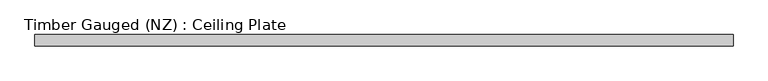
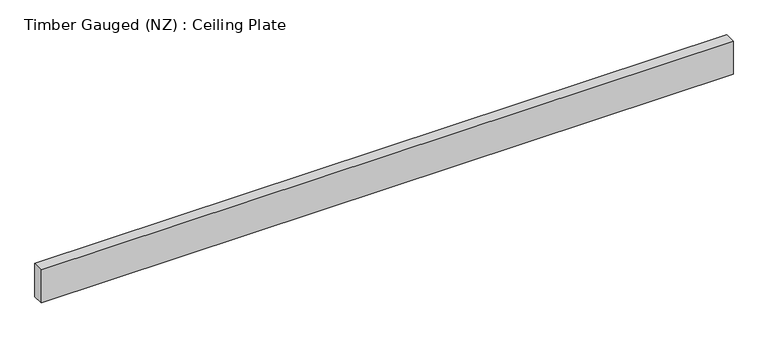
"""IFC4 building model written with IfcOpenShell, lengths in millimetres: beam geometry, Timber Gauged (NZ) : Ceiling Plate."""

from ifc_helpers import new_model, si_unit, frame, origin, place, context, project, spatial, polyline, outline, extrude, source, transform, mapped, element, save


def timber_gauged_nz_ceiling_plate_44570c2f(model_context):
    return source(origin(), model_context, "Body", "SweptSolid", [
        extrude(outline(polyline([(1090.0, 17.5), (1090.0, -17.5), (-1090.0, -17.5), (-1090.0, 17.5), (1090.0, 17.5)])), frame((0.0, 0.0, -55.0), z_axis=(0.0, 0.0, 1.0), x_axis=(1.0, 0.0, 0.0)), (0.0, 0.0, 1.0), 110.0),
    ])


if __name__ == "__main__":
    model = new_model("IFC4")
    model_context = context("Model", 3, world=origin())
    ifc_project = project(units=[si_unit("LENGTHUNIT", "METRE", prefix="MILLI")], contexts=[model_context])
    site = spatial("IfcSite", under=ifc_project)
    building = spatial("IfcBuilding", under=site)
    placement = place(None, origin())
    timber_gauged_nz_ceiling_plate_shape = timber_gauged_nz_ceiling_plate_44570c2f(model_context)
    element("IfcBeam", 1, ObjectType="Timber Gauged (NZ) : Ceiling Plate", at=placement, inside=building, context=model_context, shape_type="MappedRepresentation", body=[
        mapped(timber_gauged_nz_ceiling_plate_shape, transform((0.0, 0.0, 0.0), x_axis=(1.0, 0.0, 0.0), y_axis=(0.0, 1.0, 0.0), z_axis=(0.0, 0.0, 1.0))),
    ])
    save(model, "model.ifc")
